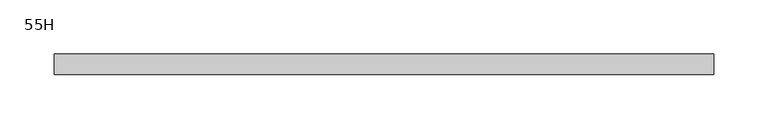
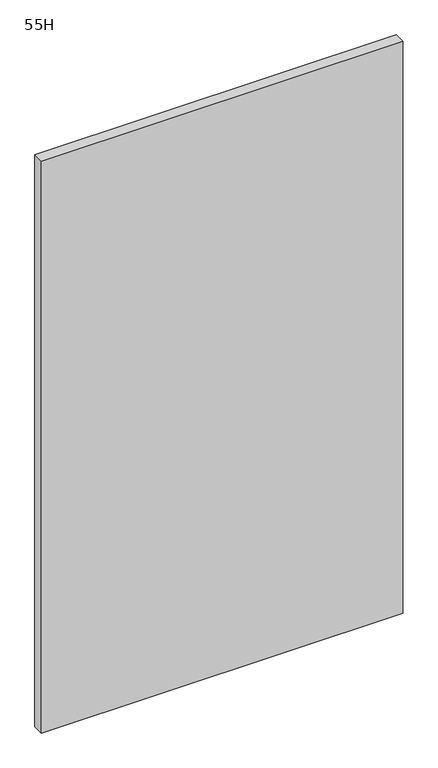
"""IFC4 building model written with IfcOpenShell, lengths in millimetres: furniture geometry, 55H."""

from ifc_helpers import new_model, si_unit, origin, origin_with_axes, place, context, project, spatial, polyline, outline, extrude, source, transform, mapped, element, save


def furniture_55h_0531085f(model_context):
    return source(origin(), model_context, "Body", "SweptSolid", [
        extrude(outline(polyline([(609.6, 9.525), (609.6, -9.525), (0.0, -9.525), (0.0, 9.525), (609.6, 9.525)])), origin_with_axes(), (0.0, 0.0, 1.0), 1020.572),
    ])


if __name__ == "__main__":
    model = new_model("IFC4")
    model_context = context("Model", 3, world=origin())
    ifc_project = project(units=[si_unit("LENGTHUNIT", "METRE", prefix="MILLI")], contexts=[model_context])
    site = spatial("IfcSite", under=ifc_project)
    building = spatial("IfcBuilding", under=site)
    placement = place(None, origin())
    furniture_55h_shape = furniture_55h_0531085f(model_context)
    element("IfcFurniture", 1, ObjectType="55H", at=placement, inside=building, context=model_context, shape_type="MappedRepresentation", body=[
        mapped(furniture_55h_shape, transform((0.0, 0.0, 0.0), x_axis=(1.0, 0.0, 0.0), y_axis=(0.0, 1.0, 0.0), z_axis=(0.0, 0.0, 1.0))),
    ])
    save(model, "model.ifc")
